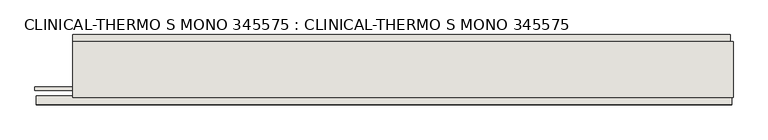
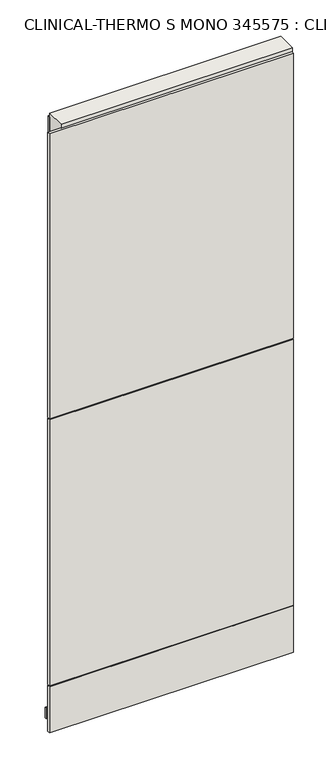
"""IFC4 building model written with IfcOpenShell, lengths in millimetres: wall geometry, CLINICAL-THERMO S MONO 345575 : CLINICAL-THERMO S MONO 345575."""

from ifc_helpers import new_model, si_unit, frame, origin, place, context, project, spatial, polyline, outline, extrude, source, transform, mapped, element, save


def clinical_thermo_s_mono_345575_clinical_thermo_s_mono_345575_a8516282(model_context):
    return source(origin(), model_context, "Body", "SweptSolid", [
        extrude(outline(polyline([(85517.3029046, -37797.5831042), (85514.7629046, -37797.5831042), (85514.7629046, -37795.0431042), (85517.3029046, -37795.0431042), (85517.3029046, -37797.5831042)])), frame((0.0, 0.0, 4419.6), z_axis=(0.0, 0.0, 1.0), x_axis=(1.0, 0.0, 0.0)), (0.0, 0.0, 1.0), 2.54),
        extrude(outline(polyline([(84557.4971407, -37745.5131042), (85512.8413565, -37745.5131042), (85512.8413565, -37758.2131042), (84557.4971407, -37758.2131042), (84557.4971407, -37745.5131042)])), frame((0.0, 0.0, 4445.0), z_axis=(0.0, 0.0, 1.0), x_axis=(1.0, 0.0, 0.0)), (0.0, 0.0, 1.0), 2545.0498756),
        extrude(outline(polyline([(85515.3021847, -37847.1131042), (84504.6579525, -37847.1131042), (84504.6579525, -37834.4131042), (85515.3021847, -37834.4131042), (85515.3021847, -37847.1131042)])), frame((0.0, 0.0, 4573.9999706), z_axis=(0.0, 0.0, 1.0), x_axis=(1.0, 0.0, 0.0)), (0.0, 0.0, 1.0), 1164.400008),
        extrude(outline(polyline([(85515.3021847, -37847.1131042), (84504.6579525, -37847.1131042), (84504.6579525, -37834.4131042), (85515.3021847, -37834.4131042), (85515.3021847, -37847.1131042)])), frame((0.0, 0.0, 5742.399869), z_axis=(0.0, 0.0, 1.0), x_axis=(1.0, 0.0, 0.0)), (0.0, 0.0, 1.0), 1247.649905),
        extrude(outline(polyline([(85515.3021847, -37847.1131042), (84504.6579525, -37847.1131042), (84504.6579525, -37834.4131042), (85515.3021847, -37834.4131042), (85515.3021847, -37847.1131042)])), frame((0.0, 0.0, 4368.1000014), z_axis=(0.0, 0.0, 1.0), x_axis=(1.0, 0.0, 0.0)), (0.0, 0.0, 1.0), 201.9000026),
        extrude(outline(polyline([(85517.3041492, -37771.223162), (84557.9456666, -37771.223162), (84557.9456666, -37766.1413078), (85517.3041492, -37766.1413078), (85517.3041492, -37771.223162)])), frame((0.0, 0.0, 4418.6602), z_axis=(0.0, 0.0, 1.0), x_axis=(1.0, 0.0, 0.0)), (0.0, 0.0, 1.0), 47.625),
        extrude(outline(polyline([(85517.3041492, -37771.223162), (84557.9456666, -37771.223162), (84557.9456666, -37766.1413078), (85517.3041492, -37766.1413078), (85517.3041492, -37771.223162)])), frame((0.0, 0.0, 4418.6602), z_axis=(0.0, 0.0, 1.0), x_axis=(1.0, 0.0, 0.0)), (0.0, 0.0, 1.0), 47.625),
        extrude(outline(polyline([(84502.6498158, -37821.3875524), (85517.3041492, -37821.3875524), (85517.3041492, -37826.4663078), (84502.6498158, -37826.4663078), (84502.6498158, -37821.3875524)])), frame((0.0, 0.0, 4418.6602), z_axis=(0.0, 0.0, 1.0), x_axis=(1.0, 0.0, 0.0)), (0.0, 0.0, 1.0), 47.625),
        extrude(outline(polyline([(84502.6498158, -37821.3875524), (85517.3041492, -37821.3875524), (85517.3041492, -37826.4663078), (84502.6498158, -37826.4663078), (84502.6498158, -37821.3875524)])), frame((0.0, 0.0, 4418.6602), z_axis=(0.0, 0.0, 1.0), x_axis=(1.0, 0.0, 0.0)), (0.0, 0.0, 1.0), 47.625),
        extrude(outline(polyline([(85517.3041492, -37755.676838), (85517.3041492, -37836.9586922), (84557.9456666, -37836.9586922), (84557.9456666, -37755.676838), (85517.3041492, -37755.676838)])), frame((0.0, 0.0, 4445.0), z_axis=(0.0, 0.0, 1.0), x_axis=(1.0, 0.0, 0.0)), (0.0, 0.0, 1.0), 2562.4536762),
    ])


if __name__ == "__main__":
    model = new_model("IFC4")
    model_context = context("Model", 3, world=origin())
    ifc_project = project(units=[si_unit("LENGTHUNIT", "METRE", prefix="MILLI")], contexts=[model_context])
    site = spatial("IfcSite", under=ifc_project)
    building = spatial("IfcBuilding", under=site)
    placement = place(None, origin())
    clinical_thermo_s_mono_345575_clinical_thermo_s_mono_345575_shape = clinical_thermo_s_mono_345575_clinical_thermo_s_mono_345575_a8516282(model_context)
    element("IfcWall", 1, ObjectType="CLINICAL-THERMO S MONO 345575 : CLINICAL-THERMO S MONO 345575", at=placement, inside=building, context=model_context, shape_type="MappedRepresentation", body=[
        mapped(clinical_thermo_s_mono_345575_clinical_thermo_s_mono_345575_shape, transform((0.0, 0.0, 0.0), x_axis=(1.0, 0.0, 0.0), y_axis=(0.0, 1.0, 0.0), z_axis=(0.0, 0.0, 1.0))),
    ])
    save(model, "model.ifc")
